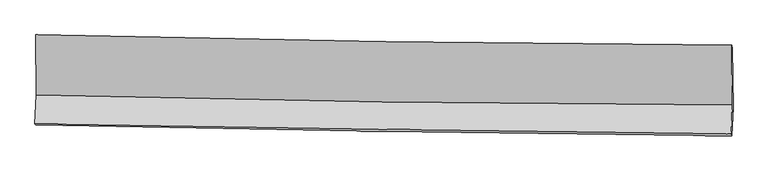
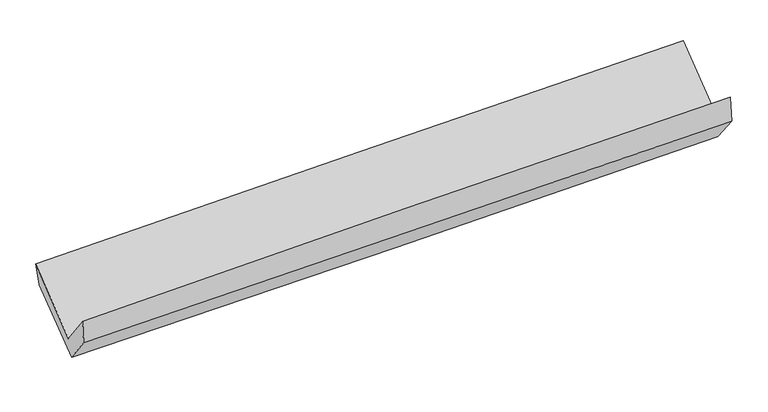
"""IFC4 building model written with IfcOpenShell, lengths in millimetres: proxy geometry."""

from ifc_helpers import new_model, si_unit, frame, origin, place, context, project, spatial, source, transform, mapped, element, save
from ifc_brep_helpers import plane_surface, spline_curve, spline_surface, advanced_brep


def generic_models_18bab75e(model_context):
    return source(origin(), model_context, "Body", "AdvancedBrep", [
        advanced_brep(
        [(-3017.2550561, -1159.2929588, 2153.6711466), (-3012.8954771, -1682.6477334, 1727.9495465), (3003.793917, -1766.8181006, 1898.4958859), (2998.1062979, -1249.027175, 2315.1844361), (-3024.3916707, -1931.6253347, 2057.4520646), (2992.3771626, -2018.2017387, 2223.6006688), (-3019.0143135, -1939.2910529, 1842.8953833), (2998.2483332, -2036.7494184, 1997.8537578), (-3009.4333377, -1727.2945175, 1570.476286), (3009.2221672, -1789.9648689, 1687.403127), (-3013.3985198, -1213.6135855, 1976.0253737), (3003.5517916, -1273.7437561, 2102.8283816)],
        [
            (0, 1),
            (1, 2, spline_curve(3, [(-3012.8954771, -1682.6477334, 1727.9495465), (-2010.409789906, -1708.238842411, 1774.130627841), (-1007.604100506, -1728.049017899, 1811.435194563), (997.959469659, -1756.097882276, 1868.271805785), (2000.716911773, -1764.344495803, 1887.816019114), (3003.793917, -1766.8181006, 1898.4958859)], [4, 2, 4], [0.0, 9.877366815727262, 19.747961020760158])),
            (2, 3),
            (3, 0, spline_curve(3, [(2998.1062979, -1249.027175, 2315.1844361), (1995.474559784, -1242.797198447, 2299.622189125), (993.050421922, -1232.2084186, 2278.388186498), (-1012.070314698, -1202.302997064, 2224.558209582), (-2014.766627937, -1182.980371297, 2191.954448741), (-3017.2550561, -1159.2929588, 2153.6711466)], [4, 2, 4], [0.0, 9.870594205032896, 19.747961020760158])),
            (1, 4),
            (4, 5, spline_curve(3, [(-3024.3916707, -1931.6253347, 2057.4520646), (-2021.552190122, -1948.424528909, 2093.891087255), (-1018.563040096, -1964.040895003, 2125.959565717), (987.026775848, -1992.898074958, 2181.33644265), (1989.627237155, -2006.140509961, 2204.650832188), (2992.3771626, -2018.2017387, 2223.6006688)], [4, 2, 4], [0.0, 9.878478619119198, 19.75018386521418])),
            (5, 2),
            (4, 6),
            (6, 7, spline_curve(3, [(-3019.0143135, -1939.2910529, 1842.8953833), (-2015.950759433, -1960.822331669, 1870.304921794), (-1012.808431969, -1979.711380941, 1896.92704759), (992.945891903, -2012.193880508, 1948.578759931), (1995.55777968, -2025.790953243, 1973.609425487), (2998.2483332, -2036.7494184, 1997.8537578)], [4, 2, 4], [0.0, 9.87854595749727, 19.750318495798442])),
            (7, 5),
            (6, 8),
            (8, 9, spline_curve(3, [(-3009.4333377, -1727.2945175, 1570.476286), (-2005.860571022, -1738.220634699, 1583.144928575), (-1002.347573092, -1748.907931866, 1599.227665688), (1003.870846464, -1769.79772133, 1638.207959527), (2006.576350421, -1780.000541381, 1661.100836291), (3009.2221672, -1789.9648689, 1687.403127)], [4, 2, 4], [0.0, 9.878780721284787, 19.750787862403072])),
            (9, 7),
            (8, 10),
            (10, 11, spline_curve(3, [(-3013.3985198, -1213.6135855, 1976.0253737), (-2010.029768143, -1222.079237893, 1989.337391106), (-1006.760939617, -1231.324897286, 2006.565283709), (998.88902694, -1251.369357018, 2048.838320851), (2001.270302794, -1262.16708744, 2073.878097707), (3003.5517916, -1273.7437561, 2102.8283816)], [4, 2, 4], [0.0, 9.877726006576637, 19.748679156172642])),
            (11, 9),
            (10, 0),
            (3, 11),
        ],
        [
            spline_surface(3, 3, [[(-3017.2550561, -1159.2929588, 2153.6711466), (-2014.766627938, -1182.980371174, 2191.954448735), (-1012.070314536, -1202.302996907, 2224.558209424), (993.050421761, -1232.208418756, 2278.388186656), (1995.474559732, -1242.797198422, 2299.622189185), (2998.1062979, -1249.027175, 2315.1844361)], [(-3015.801863127, -1333.744550306, 2011.763946548), (-2013.314348578, -1358.066528264, 2052.679841792), (-1010.581576513, -1377.551670592, 2086.850537797), (994.686771037, -1406.838239887, 2141.68272637), (1997.222010366, -1416.646297521, 2162.3534658), (3000.002170935, -1421.624150195, 2176.288252701)], [(-3014.348670073, -1508.196141894, 1869.856746552), (-2011.862069137, -1533.152685437, 1913.405234904), (-1009.092838475, -1552.80034431, 1949.142866173), (996.323120328, -1581.46806105, 2004.977266087), (1998.969460995, -1590.495396634, 2025.084742411), (3001.898043965, -1594.221125405, 2037.392069299)], [(-3012.8954771, -1682.6477334, 1727.9495465), (-2010.409789777, -1708.238842527, 1774.130627961), (-1007.604100451, -1728.049017994, 1811.435194547), (997.959469605, -1756.097882181, 1868.271805801), (2000.716911629, -1764.344495733, 1887.816019026), (3003.793917, -1766.8181006, 1898.4958859)]], [4, 4], [4, 2, 4], [0.0, 2.1883175741668706], [0.0, 9.877366815727262, 19.747961020760158]),
            spline_surface(3, 3, [[(-3012.8954771, -1682.6477334, 1727.9495465), (-2010.409789777, -1708.238842527, 1774.130627961), (-1007.604100451, -1728.049017994, 1811.435194547), (997.959469605, -1756.097882181, 1868.271805801), (2000.716911629, -1764.344495733, 1887.816019026), (3003.793917, -1766.8181006, 1898.4958859)], [(-3016.727541615, -1765.640267197, 1837.783719214), (-2014.123923201, -1788.300737987, 1880.717447774), (-1011.257080396, -1806.712977022, 1916.27665164), (994.315238399, -1835.031279754, 1972.626684686), (1997.020353517, -1844.943167149, 1993.427623392), (2999.988332205, -1850.612646631, 2006.864146895)], [(-3020.559606185, -1848.632800903, 1947.617891886), (-2017.83805668, -1868.362633355, 1987.304267547), (-1014.910060315, -1885.376936041, 2021.118108775), (990.671007218, -1913.964677318, 2076.981563614), (1993.323795388, -1925.541838572, 2099.039227674), (2996.182747395, -1934.407192669, 2115.232407805)], [(-3024.3916707, -1931.6253347, 2057.4520646), (-2021.552190105, -1948.424528814, 2093.89108736), (-1018.56304026, -1964.04089507, 2125.959565868), (987.026776012, -1992.898074891, 2181.336442499), (1989.627237276, -2006.140509988, 2204.65083204), (2992.3771626, -2018.2017387, 2223.6006688)]], [4, 4], [4, 2, 4], [0.0, 1.2894580323968672], [0.0, 9.878478619119198, 19.75018386521418]),
            spline_surface(3, 3, [[(-3024.3916707, -1931.6253347, 2057.4520646), (-2021.552190105, -1948.424528814, 2093.89108736), (-1018.56304026, -1964.04089507, 2125.959565868), (987.026776012, -1992.898074891, 2181.336442499), (1989.627237276, -2006.140509988, 2204.65083204), (2992.3771626, -2018.2017387, 2223.6006688)], [(-3022.599218304, -1934.180574078, 1985.933170816), (-2019.685046516, -1952.557129728, 2019.362365538), (-1016.644837432, -1969.264390351, 2049.615393185), (988.999814604, -1999.330010132, 2103.750548296), (1991.604084788, -2012.690657703, 2127.637029843), (2994.334219476, -2024.384298604, 2148.351698451)], [(-3020.806765896, -1936.735813522, 1914.414277084), (-2017.817902916, -1956.689730708, 1944.833643768), (-1014.726634642, -1974.487885594, 1973.271220408), (990.972853157, -2005.761945333, 2026.164653999), (1993.580932274, -2019.240805407, 2050.623227693), (2996.291276324, -2030.566858496, 2073.102728149)], [(-3019.0143135, -1939.2910529, 1842.8953833), (-2015.950759327, -1960.822331622, 1870.304921947), (-1012.808431814, -1979.711380875, 1896.927047725), (992.945891749, -2012.193880574, 1948.578759796), (1995.557779786, -2025.790953122, 1973.609425496), (2998.2483332, -2036.7494184, 1997.8537578)]], [4, 4], [4, 2, 4], [0.0, 0.7599351737446148], [0.0, 9.87854595749727, 19.750318495798442]),
            spline_surface(3, 3, [[(-3019.0143135, -1939.2910529, 1842.8953833), (-2015.950759327, -1960.822331622, 1870.304921947), (-1012.808431814, -1979.711380875, 1896.927047725), (992.945891749, -2012.193880574, 1948.578759796), (1995.557779786, -2025.790953122, 1973.609425496), (2998.2483332, -2036.7494184, 1997.8537578)], [(-3015.820654913, -1868.625541113, 1752.089017537), (-2012.587363188, -1886.621765972, 1774.584924204), (-1009.321478956, -1902.776897818, 1797.693920343), (996.587543325, -1931.395160865, 1845.121826377), (1999.230636668, -1943.860815915, 1869.439895776), (3001.906277863, -1954.487901898, 1894.370214213)], [(-3012.626996287, -1797.960029287, 1661.282651763), (-2009.223967009, -1812.421200284, 1678.86492645), (-1005.834526031, -1825.842414783, 1698.460793008), (1000.229194967, -1850.596441178, 1741.664893007), (2002.903493562, -1861.930678715, 1765.270366017), (3005.564222537, -1872.226385402, 1790.886670587)], [(-3009.4333377, -1727.2945175, 1570.476286), (-2005.860570869, -1738.220634634, 1583.144928707), (-1002.347573172, -1748.907931726, 1599.227665626), (1003.870846543, -1769.79772147, 1638.207959589), (2006.576350444, -1780.000541508, 1661.100836297), (3009.2221672, -1789.9648689, 1687.403127)]], [4, 4], [4, 2, 4], [0.0, 1.2644078318277638], [0.0, 9.878780721284787, 19.750787862403072]),
            spline_surface(3, 3, [[(-3009.4333377, -1727.2945175, 1570.476286), (-2005.860570869, -1738.220634634, 1583.144928707), (-1002.347573172, -1748.907931726, 1599.227665626), (1003.870846543, -1769.79772147, 1638.207959589), (2006.576350444, -1780.000541508, 1661.100836297), (3009.2221672, -1789.9648689, 1687.403127)], [(-3010.755065063, -1556.06754016, 1705.659315237), (-2007.250303239, -1566.173502339, 1718.542416167), (-1003.818695366, -1576.380253607, 1735.006871593), (1002.210240048, -1596.988266604, 1775.084746719), (2004.80766782, -1607.389390159, 1798.693256792), (3007.332041979, -1617.891164639, 1825.87821185)], [(-3012.076792437, -1384.84056284, 1840.842344463), (-2008.640035618, -1394.126370063, 1853.939903617), (-1005.28981755, -1403.85257552, 1870.786077587), (1000.549633562, -1424.17881177, 1911.961533876), (2003.03898526, -1434.778238791, 1936.285677335), (3005.441916821, -1445.817460361, 1964.35329675)], [(-3013.3985198, -1213.6135855, 1976.0253737), (-2010.029767987, -1222.079237768, 1989.337391077), (-1006.760939744, -1231.324897401, 2006.565283554), (998.889027067, -1251.369356903, 2048.838321006), (2001.270302637, -1262.167087441, 2073.878097829), (3003.5517916, -1273.7437561, 2102.8283816)]], [4, 4], [4, 2, 4], [0.0, 2.165400683906539], [0.0, 9.877726006576637, 19.748679156172642]),
            spline_surface(3, 3, [[(-3013.3985198, -1213.6135855, 1976.0253737), (-2010.029767987, -1222.079237768, 1989.337391077), (-1006.760939744, -1231.324897401, 2006.565283554), (998.889027067, -1251.369356903, 2048.838321006), (2001.270302637, -1262.167087441, 2073.878097829), (3003.5517916, -1273.7437561, 2102.8283816)], [(-3014.684031878, -1195.506709946, 2035.240631348), (-2011.608721282, -1209.04628225, 2056.876410311), (-1008.530731315, -1221.650930583, 2079.229592186), (996.942825325, -1244.982377534, 2125.354942898), (1999.338388344, -1255.710457768, 2149.126128271), (3001.736627042, -1265.504895733, 2173.613733089)], [(-3015.969544022, -1177.399834354, 2094.455888952), (-2013.187674644, -1196.013326692, 2124.415429501), (-1010.300522965, -1211.976963725, 2151.893900792), (994.996623503, -1238.595398125, 2201.871564764), (1997.406474024, -1249.253828095, 2224.374158744), (2999.921462458, -1257.266035367, 2244.399084611)], [(-3017.2550561, -1159.2929588, 2153.6711466), (-2014.766627938, -1182.980371174, 2191.954448735), (-1012.070314536, -1202.302996907, 2224.558209424), (993.050421761, -1232.208418756, 2278.388186656), (1995.474559732, -1242.797198422, 2299.622189185), (2998.1062979, -1249.027175, 2315.1844361)]], [4, 4], [4, 2, 4], [0.0, 0.7386152831054839], [0.0, 9.876025444455307, 19.745279197953824]),
            plane_surface(frame((3000.8832782, -1689.0841763, 2037.5610429), z_axis=(0.9995822181644438, -0.010644831411487272, 0.026871484768650238), x_axis=(-0.008557222358062042, 0.7790346019603593, 0.6269225334074214))),
            plane_surface(frame((-3016.0647292, -1608.9608638, 1888.0783001), z_axis=(-0.9995978535798002, 0.012412987029342066, -0.025496056002175846), x_axis=(0.020755788044405046, -0.292352345501655, -0.9560854058829351))),
        ],
        [
            (0, [[1, 2, 3, 4]]),
            (1, [[5, 6, 7, -2]]),
            (2, [[8, 9, 10, -6]]),
            (3, [[11, 12, 13, -9]]),
            (4, [[14, 15, 16, -12]]),
            (5, [[17, -4, 18, -15]]),
            (6, [[-16, -18, -3, -7, -10, -13]]),
            (7, [[-17, -14, -11, -8, -5, -1]]),
        ],
    ),
    ])


if __name__ == "__main__":
    model = new_model("IFC4")
    model_context = context("Model", 3, world=origin())
    ifc_project = project(units=[si_unit("LENGTHUNIT", "METRE", prefix="MILLI")], contexts=[model_context])
    site = spatial("IfcSite", under=ifc_project)
    building = spatial("IfcBuilding", under=site)
    placement = place(None, origin())
    generic_models_shape = generic_models_18bab75e(model_context)
    element("IfcBuildingElementProxy", 1, Name="Generic Models", at=placement, inside=building, context=model_context, shape_type="MappedRepresentation", body=[
        mapped(generic_models_shape, transform((0.0, 0.0, 0.0), x_axis=(1.0, 0.0, 0.0), y_axis=(0.0, 1.0, 0.0), z_axis=(0.0, 0.0, 1.0))),
    ])
    save(model, "model.ifc")
